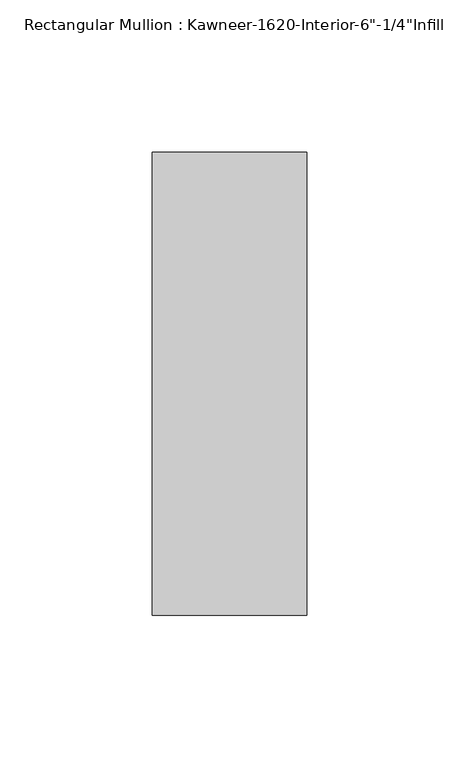
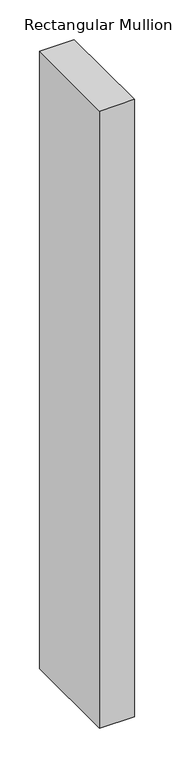
"""IFC4 building model written with IfcOpenShell, lengths in millimetres: member geometry."""

from ifc_helpers import new_model, si_unit, frame, origin, place, context, project, spatial, polyline, outline, extrude, source, transform, mapped, element, save


def member_1344e5c0(model_context):
    return source(origin(), model_context, "Body", "SweptSolid", [
        extrude(outline(polyline([(25.4, -123.825), (-25.4, -123.825), (-25.4, 28.575), (25.4, 28.575), (25.4, -123.825)])), frame((0.0, 0.0, -952.5), z_axis=(0.0, 0.0, 1.0), x_axis=(1.0, 0.0, 0.0)), (0.0, 0.0, 1.0), 952.5),
    ])


if __name__ == "__main__":
    model = new_model("IFC4")
    model_context = context("Model", 3, world=origin())
    ifc_project = project(units=[si_unit("LENGTHUNIT", "METRE", prefix="MILLI")], contexts=[model_context])
    site = spatial("IfcSite", under=ifc_project)
    building = spatial("IfcBuilding", under=site)
    placement = place(None, origin())
    member_shape = member_1344e5c0(model_context)
    element("IfcMember", 1, ObjectType="Rectangular Mullion : Kawneer-1620-Interior-6\"-1/4\"Infill", at=placement, inside=building, context=model_context, shape_type="MappedRepresentation", body=[
        mapped(member_shape, transform((0.0, 0.0, 0.0), x_axis=(1.0, 0.0, 0.0), y_axis=(0.0, 1.0, 0.0), z_axis=(0.0, 0.0, 1.0))),
    ])
    save(model, "model.ifc")
